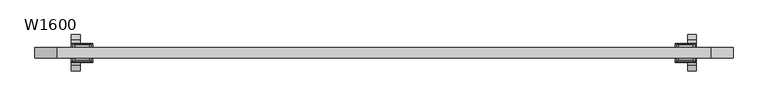
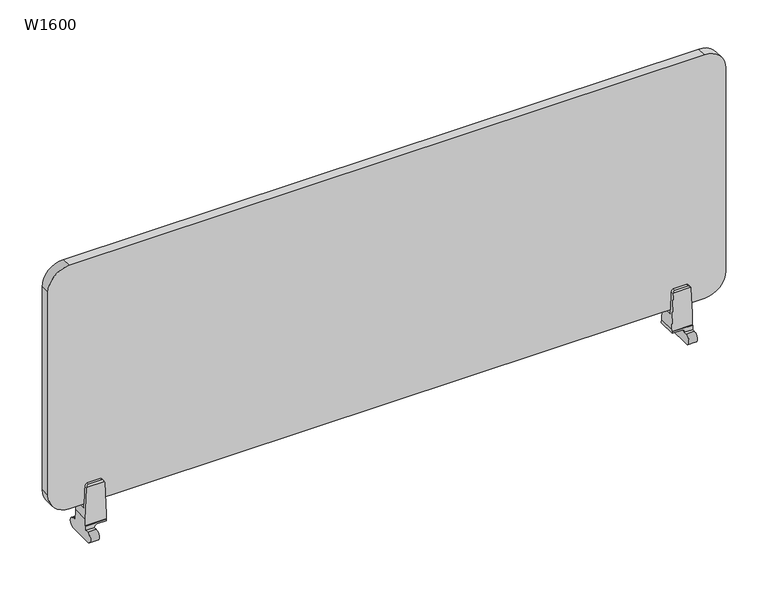
"""IFC4 building model written with IfcOpenShell, lengths in millimetres: furniture geometry, W1600."""

from ifc_helpers import new_model, si_unit, point, frame, frame_2d, origin, place, context, project, spatial, polyline, circle_curve, ellipse_curve, trimmed, segment, composite_curve, outline, extrude, source, transform, mapped, element, save
from ifc_brep_helpers import plane_surface, cylinder_surface, revolved_surface, advanced_brep


def w1600_c6d2ce90(model_context):
    return source(origin(), model_context, "Body", "SolidModel", [
        advanced_brep(
        [(667.3062923, 20.12722, 508.6034914), (667.3062923, 21.734059, 508.6034914), (667.3062923, 21.734059, 505.317569), (667.3062923, -21.734059, 505.317569), (667.3062923, -21.734059, 508.6034914), (667.3062923, -20.12722, 508.6034914), (667.3062923, -20.12722, 513.0283084), (667.3062923, 20.12722, 513.0283084), (715.6062923, -20.12722, 508.6034914), (715.6062923, -21.734059, 508.6034914), (715.6062923, -21.734059, 497.7771987), (715.6062923, -29.3283848, 497.7771987), (715.6062923, -29.3283848, 473.429), (715.6062923, 29.3283848, 473.429), (715.6062923, 29.3283848, 497.7771987), (715.6062923, 21.734059, 497.7771987), (715.6062923, 21.734059, 508.6034914), (715.6062923, 20.12722, 508.6034914), (715.6062923, 20.12722, 537.7072826), (715.6062923, -20.12722, 537.7072826), (675.7948185, 17.493294, 607.4860165), (708.0534919, 17.493294, 607.4860165), (712.3907552, 20.12722, 602.923923), (671.4549117, 20.12722, 602.923923), (670.9814467, 20.12722, 600.5424845), (712.8620616, 20.12722, 600.5607025), (695.9000284, 21.734059, 497.7771987), (695.9000284, 21.734059, 499.2756665), (689.9626674, 21.734059, 505.317569), (695.9000284, 29.3283848, 497.7771987), (695.9000284, 29.3283848, 473.429), (695.9000284, -29.3283848, 473.429), (695.9000284, -29.3283848, 497.7771987), (695.9000284, -21.734059, 497.7771987), (689.9626674, -21.734059, 505.317569), (695.9000284, -21.734059, 499.2756665), (712.8620616, -20.12722, 600.5607025), (712.3907552, -20.12722, 602.923923), (671.4549117, -20.12722, 602.923923), (670.9814467, -20.12722, 600.5424845), (708.0534919, -17.493294, 607.4860165), (675.7948185, -17.493294, 607.4860165), (708.0534919, -11.6621458, 607.4860165), (675.7948185, -11.6621458, 607.4860165), (712.8620616, -11.6621458, 600.5607025), (715.1793449, -11.6621458, 547.4860165), (668.7533424, -11.6621458, 547.4860165), (670.9814467, -11.6621458, 600.5424845), (715.1793449, 11.6621458, 547.4860165), (668.7533424, 11.6621458, 547.4860165), (712.8620616, 11.6621458, 600.5607025), (708.0534919, 11.6621458, 607.4860165), (675.7948185, 11.6621458, 607.4860165), (670.9814467, 11.6621458, 600.5424845)],
        [
            (0, 1),
            (1, 2),
            (2, 3),
            (3, 4),
            (4, 5),
            (5, 6),
            (6, 7),
            (7, 0),
            (8, 9),
            (9, 10),
            (10, 11),
            (11, 12, circle_curve(frame((715.6062923, -29.3283848, 485.6030993), z_axis=(1.0, 0.0, 0.0), x_axis=(0.0, -1.0, 0.0)), 12.1740993)),
            (12, 13),
            (13, 14, circle_curve(frame((715.6062923, 29.3283848, 485.6030993), z_axis=(1.0, 0.0, 0.0), x_axis=(0.0, -1.0, 0.0)), 12.1740993)),
            (14, 15),
            (15, 16),
            (16, 17),
            (17, 18),
            (18, 19),
            (19, 8),
            (20, 21),
            (21, 22, ellipse_curve(frame((704.9749018, 21.6904421, 600.2163428), z_axis=(0.0, 0.8660254037844372, 0.5000000000000028), x_axis=(0.0, -0.5000000000000024, 0.8660254037844373)), 9.115984, 7.8946737)),
            (22, 23),
            (23, 20, ellipse_curve(frame((678.8744898, 21.6935173, 600.2110165), z_axis=(0.0, 0.8660254037844372, 0.5000000000000028), x_axis=(0.0, -0.5000000000000024, 0.8660254037844373)), 9.1221343, 7.9)),
            (17, 0),
            (7, 24),
            (24, 23, circle_curve(frame((678.8744898, 20.12722, 600.2110165), z_axis=(0.0, 1.0, 0.0), x_axis=(1.0, 0.0, 0.0)), 7.9)),
            (22, 25, circle_curve(frame((704.9749018, 20.12722, 600.2163428), z_axis=(0.0, 1.0, 0.0), x_axis=(1.0, 0.0, 0.0)), 7.8946737)),
            (25, 18),
            (16, 1),
            (15, 26),
            (26, 27),
            (27, 28, circle_curve(frame((689.8572056, 21.734059, 499.2756665), z_axis=(0.0, -1.0, 0.0), x_axis=(1.0, 0.0, 0.0)), 6.0428228)),
            (28, 2),
            (14, 29),
            (29, 26),
            (13, 30),
            (30, 29, circle_curve(frame((695.9000284, 29.3283848, 485.6030993), z_axis=(1.0, 0.0, 0.0), x_axis=(0.0, -1.0, 0.0)), 12.1740993)),
            (12, 31),
            (31, 30),
            (11, 32),
            (32, 31, circle_curve(frame((695.9000284, -29.3283848, 485.6030993), z_axis=(1.0, 0.0, 0.0), x_axis=(0.0, -1.0, 0.0)), 12.1740993)),
            (10, 33),
            (33, 32),
            (9, 4),
            (3, 34),
            (34, 35, circle_curve(frame((689.8572056, -21.734059, 499.2756665), z_axis=(0.0, 1.0, 0.0), x_axis=(1.0, 0.0, 0.0)), 6.0428228)),
            (35, 33),
            (8, 5),
            (19, 36),
            (36, 37, circle_curve(frame((704.9749018, -20.12722, 600.2163428), z_axis=(0.0, -1.0, 0.0), x_axis=(1.0, 0.0, 0.0)), 7.8946737)),
            (37, 38),
            (38, 39, circle_curve(frame((678.8744898, -20.12722, 600.2110165), z_axis=(0.0, -1.0, 0.0), x_axis=(1.0, 0.0, 0.0)), 7.9)),
            (39, 6),
            (37, 40, ellipse_curve(frame((704.9749018, -21.6904421, 600.2163428), z_axis=(0.0, -0.8660254037844385, 0.5000000000000006), x_axis=(0.0, -0.5000000000000001, -0.8660254037844385)), 9.115984, 7.8946737)),
            (40, 41),
            (41, 38, ellipse_curve(frame((678.8744898, -21.6935173, 600.2110165), z_axis=(0.0, -0.8660254037844385, 0.5000000000000006), x_axis=(0.0, -0.5000000000000001, -0.8660254037844385)), 9.1221343, 7.9)),
            (40, 42),
            (42, 43),
            (43, 41),
            (42, 44, circle_curve(frame((704.9749018, -11.6621458, 600.2163428), z_axis=(0.0, 1.0, 0.0), x_axis=(1.0, 0.0, 0.0)), 7.8946737)),
            (44, 45),
            (45, 46),
            (46, 47),
            (47, 43, circle_curve(frame((678.8744898, -11.6621458, 600.2110165), z_axis=(0.0, 1.0, 0.0), x_axis=(1.0, 0.0, 0.0)), 7.9)),
            (45, 48),
            (48, 49),
            (49, 46),
            (48, 50),
            (50, 51, circle_curve(frame((704.9749018, 11.6621458, 600.2163428), z_axis=(0.0, -1.0, 0.0), x_axis=(1.0, 0.0, 0.0)), 7.8946737)),
            (51, 52),
            (52, 53, circle_curve(frame((678.8744898, 11.6621458, 600.2110165), z_axis=(0.0, -1.0, 0.0), x_axis=(1.0, 0.0, 0.0)), 7.9)),
            (53, 49),
            (20, 52),
            (51, 21),
            (34, 28),
            (27, 35),
            (39, 47),
            (53, 24),
            (36, 44),
            (50, 25),
        ],
        [
            plane_surface(frame((667.3062923, 17.493294, 607.4860165), z_axis=(-1.0000000000000002, 0.0, 0.0), x_axis=(0.0, 0.5000000000000028, -0.8660254037844372))),
            plane_surface(frame((715.6062923, 17.493294, 607.4860165), z_axis=(1.0000000000000002, 0.0, 0.0), x_axis=(0.0, -0.5000000000000028, 0.8660254037844372))),
            plane_surface(frame((667.3062923, 17.493294, 607.4860165), z_axis=(0.0, 0.8660254037844372, 0.5000000000000028), x_axis=(1.0, 0.0, 0.0))),
            plane_surface(frame((667.3062923, 20.12722, 602.923923), z_axis=(0.0, 1.0, 0.0), x_axis=(1.0, 0.0, 0.0))),
            plane_surface(frame((667.3062923, 20.12722, 508.6034914), z_axis=(0.0, 0.0, 1.0), x_axis=(1.0, 0.0, 0.0))),
            plane_surface(frame((667.3062923, 21.734059, 508.6034914), z_axis=(0.0, 1.0, 0.0), x_axis=(1.0, 0.0, 0.0))),
            plane_surface(frame((667.3062923, 21.734059, 497.7771987), z_axis=(0.0, 0.0, 1.0), x_axis=(1.0, 0.0, 0.0))),
            cylinder_surface(frame((715.6062923, 29.3283848, 485.6030993), z_axis=(-1.0, 0.0, 0.0), x_axis=(0.0, -1.0, 0.0)), 12.1740993),
            plane_surface(frame((667.3062923, 29.3283848, 473.429), z_axis=(0.0, 0.0, -1.0), x_axis=(1.0, 0.0, 0.0))),
            cylinder_surface(frame((715.6062923, -29.3283848, 485.6030993), z_axis=(-1.0, 0.0, 0.0), x_axis=(0.0, -1.0, 0.0)), 12.1740993),
            plane_surface(frame((667.3062923, -29.3283848, 497.7771987), z_axis=(0.0, 0.0, 1.0), x_axis=(1.0, 0.0, 0.0))),
            plane_surface(frame((667.3062923, -21.734059, 497.7771987), z_axis=(0.0, -1.0, 0.0), x_axis=(1.0, 0.0, 0.0))),
            plane_surface(frame((667.3062923, -21.734059, 508.6034914), z_axis=(0.0, 0.0, 1.0), x_axis=(1.0, 0.0, 0.0))),
            plane_surface(frame((667.3062923, -20.12722, 508.6034914), z_axis=(0.0, -1.0, 0.0), x_axis=(1.0, 0.0, 0.0))),
            plane_surface(frame((667.3062923, -20.12722, 602.923923), z_axis=(0.0, -0.8660254037844385, 0.5000000000000006), x_axis=(1.0, 0.0, 0.0))),
            plane_surface(frame((667.3062923, -17.493294, 607.4860165), z_axis=(0.0, 0.0, 1.0), x_axis=(1.0, 0.0, 0.0))),
            plane_surface(frame((667.3062923, -11.6621458, 607.4860165), z_axis=(0.0, 1.0, 0.0), x_axis=(1.0, 0.0, 0.0))),
            plane_surface(frame((667.3062923, -11.6621458, 547.4860165), z_axis=(0.0, 0.0, 1.0), x_axis=(1.0, 0.0, 0.0))),
            plane_surface(frame((667.3062923, 11.6621458, 547.4860165), z_axis=(0.0, -1.0, 0.0), x_axis=(1.0, 0.0, 0.0))),
            plane_surface(frame((667.3062923, 11.6621458, 607.4860165), z_axis=(0.0, 0.0, 1.0), x_axis=(1.0, 0.0, 0.0))),
            revolved_surface(polyline([(695.9000284, 21.734058999999988, 499.2756665), (695.9000284, -21.734059000000002, 499.2756665)]), (689.8572056, -113.2680769, 499.2756665), (0.0, 1.0, 0.0)),
            plane_surface(frame((666.9824801, 250.0, 505.317569), z_axis=(0.0, 0.0, -1.0), x_axis=(0.0, -1.0, 0.0))),
            plane_surface(frame((670.9814467, 250.0, 600.5424845), z_axis=(-0.9991193762450609, 0.0, 0.041957979118166115), x_axis=(0.0, -1.0, 0.0))),
            cylinder_surface(frame((678.8744898, -113.2680769, 600.2110165), z_axis=(0.0, -1.0, 0.0), x_axis=(1.0, 0.0, 0.0)), 7.9),
            cylinder_surface(frame((704.9749018, -113.2680769, 600.2163428), z_axis=(0.0, -1.0, 0.0), x_axis=(1.0, 0.0, 0.0)), 7.8946737),
            plane_surface(frame((718.5147114, 250.0, 471.0933202), z_axis=(0.9990482276909858, 0.0, 0.04361924744307622), x_axis=(0.0, -1.0, 0.0))),
            plane_surface(frame((695.9000284, 250.0, 499.2756665), z_axis=(-1.0, 0.0, 0.0), x_axis=(0.0, -1.0, 0.0))),
        ],
        [
            (0, [[1, 2, 3, 4, 5, 6, 7, 8]]),
            (1, [[9, 10, 11, 12, 13, 14, 15, 16, 17, 18, 19, 20]]),
            (2, [[21, 22, 23, 24]]),
            (3, [[25, -8, 26, 27, -23, 28, 29, -18]]),
            (4, [[-1, -25, -17, 30]]),
            (5, [[-16, 31, 32, 33, 34, -2, -30]]),
            (6, [[-15, 35, 36, -31]]),
            (7, [[-14, 37, 38, -35]]),
            (8, [[-13, 39, 40, -37]]),
            (9, [[-12, 41, 42, -39]]),
            (10, [[-11, 43, 44, -41]]),
            (11, [[-10, 45, -4, 46, 47, 48, -43]]),
            (12, [[-5, -45, -9, 49]]),
            (13, [[-49, -20, 50, 51, 52, 53, 54, -6]]),
            (14, [[-52, 55, 56, 57]]),
            (15, [[-56, 58, 59, 60]]),
            (16, [[-59, 61, 62, 63, 64, 65]]),
            (17, [[-63, 66, 67, 68]]),
            (18, [[-67, 69, 70, 71, 72, 73]]),
            (19, [[-21, 74, -71, 75]]),
            (20, [[76, -33, 77, -47]]),
            (21, [[-76, -46, -3, -34]]),
            (22, [[78, -64, -68, -73, 79, -26, -7, -54]]),
            (23, [[-78, -53, -57, -60, -65]]),
            (23, [[-79, -72, -74, -24, -27]]),
            (24, [[80, -61, -58, -55, -51]]),
            (24, [[81, -28, -22, -75, -70]]),
            (25, [[-80, -50, -19, -29, -81, -69, -66, -62]]),
            (26, [[-77, -32, -36, -38, -40, -42, -44, -48]]),
        ],
    ),
        advanced_brep(
        [(-716.2164625, 20.12722, 508.6034914), (-716.2164625, 21.734059, 508.6034914), (-716.2164625, 21.734059, 497.7771987), (-716.2164625, 29.3283848, 497.7771987), (-716.2164625, 29.3283848, 473.429), (-716.2164625, -29.3283848, 473.429), (-716.2164625, -29.3283848, 497.7771987), (-716.2164625, -21.734059, 497.7771987), (-716.2164625, -21.734059, 508.6034914), (-716.2164625, -20.12722, 508.6034914), (-716.2164625, -20.12722, 523.7321492), (-716.2164625, 20.12722, 523.7321492), (-667.6238597, -20.12722, 508.6034914), (-667.6238597, -21.734059, 508.6034914), (-667.6238597, -21.734059, 505.317569), (-667.6238597, 21.734059, 505.317569), (-667.6238597, 21.734059, 508.6034914), (-667.6238597, 20.12722, 508.6034914), (-667.6238597, 20.12722, 520.5902324), (-667.6238597, -20.12722, 520.5902324), (-708.0534965, 17.493294, 607.4860165), (-675.7948232, 17.493294, 607.4860165), (-671.4549164, 20.12722, 602.923923), (-712.3907599, 20.12722, 602.923923), (-712.8620662, 20.12722, 600.5607025), (-670.9814514, 20.12722, 600.5424845), (-689.9626721, 21.734059, 505.317569), (-695.9000331, 21.734059, 499.2756665), (-695.9000331, 21.734059, 497.7771987), (-695.9000331, 29.3283848, 497.7771987), (-695.9000331, 29.3283848, 473.429), (-695.9000331, -29.3283848, 473.429), (-695.9000331, -29.3283848, 497.7771987), (-695.9000331, -21.734059, 497.7771987), (-695.9000331, -21.734059, 499.2756665), (-689.9626721, -21.734059, 505.317569), (-670.9814514, -20.12722, 600.5424845), (-671.4549164, -20.12722, 602.923923), (-712.3907599, -20.12722, 602.923923), (-712.8620662, -20.12722, 600.5607025), (-675.7948232, -17.493294, 607.4860165), (-708.0534965, -17.493294, 607.4860165), (-675.7948232, -11.6621458, 607.4860165), (-708.0534965, -11.6621458, 607.4860165), (-670.9814514, -11.6621458, 600.5424845), (-668.7533471, -11.6621458, 547.4860165), (-715.1793496, -11.6621458, 547.4860165), (-712.8620662, -11.6621458, 600.5607025), (-668.7533471, 11.6621458, 547.4860165), (-715.1793496, 11.6621458, 547.4860165), (-670.9814514, 11.6621458, 600.5424845), (-675.7948232, 11.6621458, 607.4860165), (-708.0534965, 11.6621458, 607.4860165), (-712.8620662, 11.6621458, 600.5607025)],
        [
            (0, 1),
            (1, 2),
            (2, 3),
            (3, 4, circle_curve(frame((-716.2164625, 29.3283848, 485.6030993), z_axis=(-1.0, 0.0, 0.0), x_axis=(0.0, -1.0, 0.0)), 12.1740993)),
            (4, 5),
            (5, 6, circle_curve(frame((-716.2164625, -29.3283848, 485.6030993), z_axis=(-1.0, 0.0, 0.0), x_axis=(0.0, -1.0, 0.0)), 12.1740993)),
            (6, 7),
            (7, 8),
            (8, 9),
            (9, 10),
            (10, 11),
            (11, 0),
            (12, 13),
            (13, 14),
            (14, 15),
            (15, 16),
            (16, 17),
            (17, 18),
            (18, 19),
            (19, 12),
            (20, 21),
            (21, 22, ellipse_curve(frame((-678.8744945, 21.6935173, 600.2110165), z_axis=(0.0, 0.8660254037844372, 0.5000000000000028), x_axis=(0.0, -0.5000000000000024, 0.8660254037844373)), 9.1221343, 7.9)),
            (22, 23),
            (23, 20, ellipse_curve(frame((-704.9749064, 21.6904421, 600.2163428), z_axis=(0.0, 0.8660254037844372, 0.5000000000000028), x_axis=(0.0, -0.5000000000000024, 0.8660254037844373)), 9.115984, 7.8946737)),
            (17, 0),
            (11, 24),
            (24, 23, circle_curve(frame((-704.9749064, 20.12722, 600.2163428), z_axis=(0.0, 1.0, 0.0), x_axis=(-1.0, 0.0, 0.0)), 7.8946737)),
            (22, 25, circle_curve(frame((-678.8744945, 20.12722, 600.2110165), z_axis=(0.0, 1.0, 0.0), x_axis=(-1.0, 0.0, 0.0)), 7.9)),
            (25, 18),
            (16, 1),
            (15, 26),
            (26, 27, circle_curve(frame((-689.8572103, 21.734059, 499.2756665), z_axis=(0.0, -1.0, 0.0), x_axis=(-1.0, 0.0, 0.0)), 6.0428228)),
            (27, 28),
            (28, 2),
            (28, 29),
            (29, 3),
            (29, 30, circle_curve(frame((-695.9000331, 29.3283848, 485.6030993), z_axis=(-1.0, 0.0, 0.0), x_axis=(0.0, -1.0, 0.0)), 12.1740993)),
            (30, 4),
            (30, 31),
            (31, 5),
            (31, 32, circle_curve(frame((-695.9000331, -29.3283848, 485.6030993), z_axis=(-1.0, 0.0, 0.0), x_axis=(0.0, -1.0, 0.0)), 12.1740993)),
            (32, 6),
            (32, 33),
            (33, 7),
            (33, 34),
            (34, 35, circle_curve(frame((-689.8572103, -21.734059, 499.2756665), z_axis=(0.0, 1.0, 0.0), x_axis=(-1.0, 0.0, 0.0)), 6.0428228)),
            (35, 14),
            (13, 8),
            (12, 9),
            (19, 36),
            (36, 37, circle_curve(frame((-678.8744945, -20.12722, 600.2110165), z_axis=(0.0, -1.0, 0.0), x_axis=(-1.0, 0.0, 0.0)), 7.9)),
            (37, 38),
            (38, 39, circle_curve(frame((-704.9749064, -20.12722, 600.2163428), z_axis=(0.0, -1.0, 0.0), x_axis=(-1.0, 0.0, 0.0)), 7.8946737)),
            (39, 10),
            (37, 40, ellipse_curve(frame((-678.8744945, -21.6935173, 600.2110165), z_axis=(0.0, -0.8660254037844385, 0.5000000000000006), x_axis=(0.0, -0.5000000000000001, -0.8660254037844385)), 9.1221343, 7.9)),
            (40, 41),
            (41, 38, ellipse_curve(frame((-704.9749064, -21.6904421, 600.2163428), z_axis=(0.0, -0.8660254037844385, 0.5000000000000006), x_axis=(0.0, -0.5000000000000001, -0.8660254037844385)), 9.115984, 7.8946737)),
            (40, 42),
            (42, 43),
            (43, 41),
            (42, 44, circle_curve(frame((-678.8744945, -11.6621458, 600.2110165), z_axis=(0.0, 1.0, 0.0), x_axis=(-1.0, 0.0, 0.0)), 7.9)),
            (44, 45),
            (45, 46),
            (46, 47),
            (47, 43, circle_curve(frame((-704.9749064, -11.6621458, 600.2163428), z_axis=(0.0, 1.0, 0.0), x_axis=(-1.0, 0.0, 0.0)), 7.8946737)),
            (45, 48),
            (48, 49),
            (49, 46),
            (48, 50),
            (50, 51, circle_curve(frame((-678.8744945, 11.6621458, 600.2110165), z_axis=(0.0, -1.0, 0.0), x_axis=(-1.0, 0.0, 0.0)), 7.9)),
            (51, 52),
            (52, 53, circle_curve(frame((-704.9749064, 11.6621458, 600.2163428), z_axis=(0.0, -1.0, 0.0), x_axis=(-1.0, 0.0, 0.0)), 7.8946737)),
            (53, 49),
            (20, 52),
            (51, 21),
            (34, 27),
            (26, 35),
            (44, 36),
            (25, 50),
            (47, 39),
            (24, 53),
        ],
        [
            plane_surface(frame((-716.2164625, 17.493294, 607.4860165), z_axis=(-1.0000000000000002, 0.0, 0.0), x_axis=(0.0, 0.5000000000000028, -0.8660254037844372))),
            plane_surface(frame((-667.6238597, 17.493294, 607.4860165), z_axis=(1.0000000000000002, 0.0, 0.0), x_axis=(0.0, -0.5000000000000028, 0.8660254037844372))),
            plane_surface(frame((-716.2164625, 17.493294, 607.4860165), z_axis=(0.0, 0.8660254037844372, 0.5000000000000028), x_axis=(1.0, 0.0, 0.0))),
            plane_surface(frame((-716.2164625, 20.12722, 602.923923), z_axis=(0.0, 1.0, 0.0), x_axis=(1.0, 0.0, 0.0))),
            plane_surface(frame((-716.2164625, 20.12722, 508.6034914), z_axis=(0.0, 0.0, 1.0), x_axis=(1.0, 0.0, 0.0))),
            plane_surface(frame((-716.2164625, 21.734059, 508.6034914), z_axis=(0.0, 1.0, 0.0), x_axis=(1.0, 0.0, 0.0))),
            plane_surface(frame((-716.2164625, 21.734059, 497.7771987), z_axis=(0.0, 0.0, 1.0), x_axis=(1.0, 0.0, 0.0))),
            cylinder_surface(frame((-667.6238597, 29.3283848, 485.6030993), z_axis=(-1.0, 0.0, 0.0), x_axis=(0.0, -1.0, 0.0)), 12.1740993),
            plane_surface(frame((-716.2164625, 29.3283848, 473.429), z_axis=(0.0, 0.0, -1.0), x_axis=(1.0, 0.0, 0.0))),
            cylinder_surface(frame((-667.6238597, -29.3283848, 485.6030993), z_axis=(-1.0, 0.0, 0.0), x_axis=(0.0, -1.0, 0.0)), 12.1740993),
            plane_surface(frame((-716.2164625, -29.3283848, 497.7771987), z_axis=(0.0, 0.0, 1.0), x_axis=(1.0, 0.0, 0.0))),
            plane_surface(frame((-716.2164625, -21.734059, 497.7771987), z_axis=(0.0, -1.0, 0.0), x_axis=(1.0, 0.0, 0.0))),
            plane_surface(frame((-716.2164625, -21.734059, 508.6034914), z_axis=(0.0, 0.0, 1.0), x_axis=(1.0, 0.0, 0.0))),
            plane_surface(frame((-716.2164625, -20.12722, 508.6034914), z_axis=(0.0, -1.0, 0.0), x_axis=(1.0, 0.0, 0.0))),
            plane_surface(frame((-716.2164625, -20.12722, 602.923923), z_axis=(0.0, -0.8660254037844385, 0.5000000000000006), x_axis=(1.0, 0.0, 0.0))),
            plane_surface(frame((-716.2164625, -17.493294, 607.4860165), z_axis=(0.0, 0.0, 1.0), x_axis=(1.0, 0.0, 0.0))),
            plane_surface(frame((-716.2164625, -11.6621458, 607.4860165), z_axis=(0.0, 1.0, 0.0), x_axis=(1.0, 0.0, 0.0))),
            plane_surface(frame((-716.2164625, -11.6621458, 547.4860165), z_axis=(0.0, 0.0, 1.0), x_axis=(1.0, 0.0, 0.0))),
            plane_surface(frame((-716.2164625, 11.6621458, 547.4860165), z_axis=(0.0, -1.0, 0.0), x_axis=(1.0, 0.0, 0.0))),
            plane_surface(frame((-716.2164625, 11.6621458, 607.4860165), z_axis=(0.0, 0.0, 1.0), x_axis=(1.0, 0.0, 0.0))),
            revolved_surface(polyline([(-695.9000331, 21.734058999999988, 499.2756665), (-695.9000331, -21.734059000000002, 499.2756665)]), (-689.8572103, -113.2680769, 499.2756665), (0.0, 1.0, 0.0)),
            plane_surface(frame((-689.9626721, 250.0, 505.317569), z_axis=(0.0, 0.0, -1.0), x_axis=(0.0, -1.0, 0.0))),
            plane_surface(frame((-666.9824848, 250.0, 505.317569), z_axis=(0.9991193762450586, 0.0, 0.04195797911822109), x_axis=(0.0, -1.0, 0.0))),
            cylinder_surface(frame((-678.8744945, -113.2680769, 600.2110165), z_axis=(0.0, -1.0, 0.0), x_axis=(-1.0, 0.0, 0.0)), 7.9),
            cylinder_surface(frame((-704.9749064, -113.2680769, 600.2163428), z_axis=(0.0, -1.0, 0.0), x_axis=(-1.0, 0.0, 0.0)), 7.8946737),
            plane_surface(frame((-712.8620662, 250.0, 600.5607025), z_axis=(-0.9990482276909887, 0.0, 0.0436192474430105), x_axis=(0.0, -1.0, 0.0))),
            plane_surface(frame((-695.9000331, 250.0, 471.0933202), z_axis=(1.0, 0.0, 0.0), x_axis=(0.0, -1.0, 0.0))),
        ],
        [
            (0, [[1, 2, 3, 4, 5, 6, 7, 8, 9, 10, 11, 12]]),
            (1, [[13, 14, 15, 16, 17, 18, 19, 20]]),
            (2, [[21, 22, 23, 24]]),
            (3, [[25, -12, 26, 27, -23, 28, 29, -18]]),
            (4, [[-1, -25, -17, 30]]),
            (5, [[-2, -30, -16, 31, 32, 33, 34]]),
            (6, [[-3, -34, 35, 36]]),
            (7, [[-4, -36, 37, 38]]),
            (8, [[-5, -38, 39, 40]]),
            (9, [[-6, -40, 41, 42]]),
            (10, [[-7, -42, 43, 44]]),
            (11, [[-8, -44, 45, 46, 47, -14, 48]]),
            (12, [[-9, -48, -13, 49]]),
            (13, [[-49, -20, 50, 51, 52, 53, 54, -10]]),
            (14, [[-52, 55, 56, 57]]),
            (15, [[-56, 58, 59, 60]]),
            (16, [[-59, 61, 62, 63, 64, 65]]),
            (17, [[-63, 66, 67, 68]]),
            (18, [[-67, 69, 70, 71, 72, 73]]),
            (19, [[-21, 74, -71, 75]]),
            (20, [[76, -32, 77, -46]]),
            (21, [[-77, -31, -15, -47]]),
            (22, [[78, -50, -19, -29, 79, -69, -66, -62]]),
            (23, [[-78, -61, -58, -55, -51]]),
            (23, [[-79, -28, -22, -75, -70]]),
            (24, [[80, -53, -57, -60, -65]]),
            (24, [[81, -72, -74, -24, -27]]),
            (25, [[-80, -64, -68, -73, -81, -26, -11, -54]]),
            (26, [[-76, -45, -43, -41, -39, -37, -35, -33]]),
        ],
    ),
        extrude(outline(composite_curve([segment(polyline([(1165.0000005, 749.9999977), (1165.0000005, -750.0000023)]), True, "CONTINUOUS"), segment(trimmed(circle_curve(frame_2d((1115.0000005, -750.0000023)), 50.0), [point((1165.0000005, -750.0000023))], [point((1115.0000005, -800.0000023))], False, "CARTESIAN"), True, "CONTINUOUS"), segment(polyline([(1115.0000005, -800.0000023), (608.0000005, -800.0000023)]), True, "CONTINUOUS"), segment(trimmed(circle_curve(frame_2d((608.0000005, -750.0000023)), 50.0), [point((608.0000005, -800.0000023))], [point((558.0000005, -750.0000023))], False, "CARTESIAN"), True, "CONTINUOUS"), segment(polyline([(558.0000005, -750.0000023), (558.0000005, 749.9999977)]), True, "CONTINUOUS"), segment(trimmed(circle_curve(frame_2d((608.0000005, 749.9999977)), 50.0), [point((558.0000005, 749.9999977))], [point((608.0000005, 799.9999977))], False, "CARTESIAN"), True, "CONTINUOUS"), segment(polyline([(608.0000005, 799.9999977), (1115.0000005, 799.9999977)]), True, "CONTINUOUS"), segment(trimmed(circle_curve(frame_2d((1115.0000005, 749.9999977)), 50.0), [point((1115.0000005, 799.9999977))], [point((1165.0000005, 749.9999977))], False, "CARTESIAN"), True, "CONTINUOUS")], self_intersect=False)), frame((0.0, -11.9999997, 0.0), z_axis=(0.0, 1.0, 0.0), x_axis=(0.0, 0.0, 1.0)), (0.0, 0.0, 1.0), 23.9999995),
    ])


if __name__ == "__main__":
    model = new_model("IFC4")
    model_context = context("Model", 3, world=origin())
    ifc_project = project(units=[si_unit("LENGTHUNIT", "METRE", prefix="MILLI")], contexts=[model_context])
    site = spatial("IfcSite", under=ifc_project)
    building = spatial("IfcBuilding", under=site)
    placement = place(None, origin())
    w1600_shape = w1600_c6d2ce90(model_context)
    element("IfcFurniture", 1, ObjectType="W1600", at=placement, inside=building, context=model_context, shape_type="MappedRepresentation", body=[
        mapped(w1600_shape, transform((0.0, 0.0, 0.0), x_axis=(1.0, 0.0, 0.0), y_axis=(0.0, 1.0, 0.0), z_axis=(0.0, 0.0, 1.0))),
    ])
    save(model, "model.ifc")
